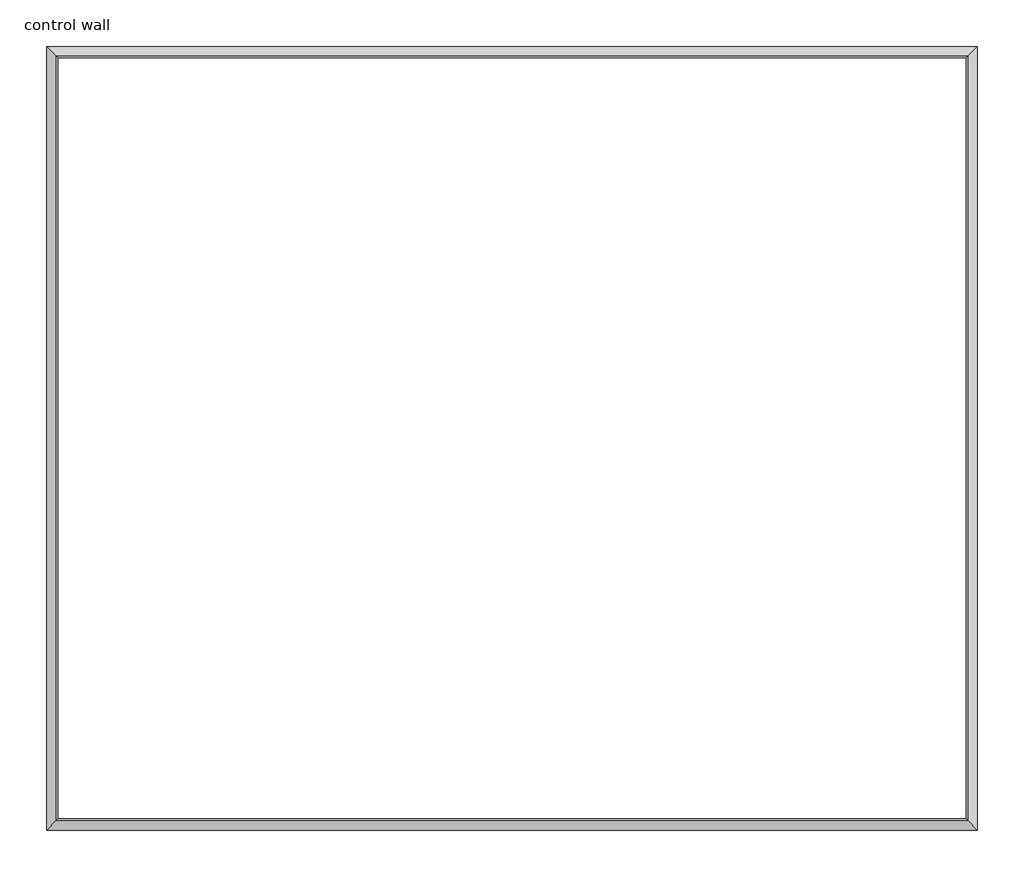
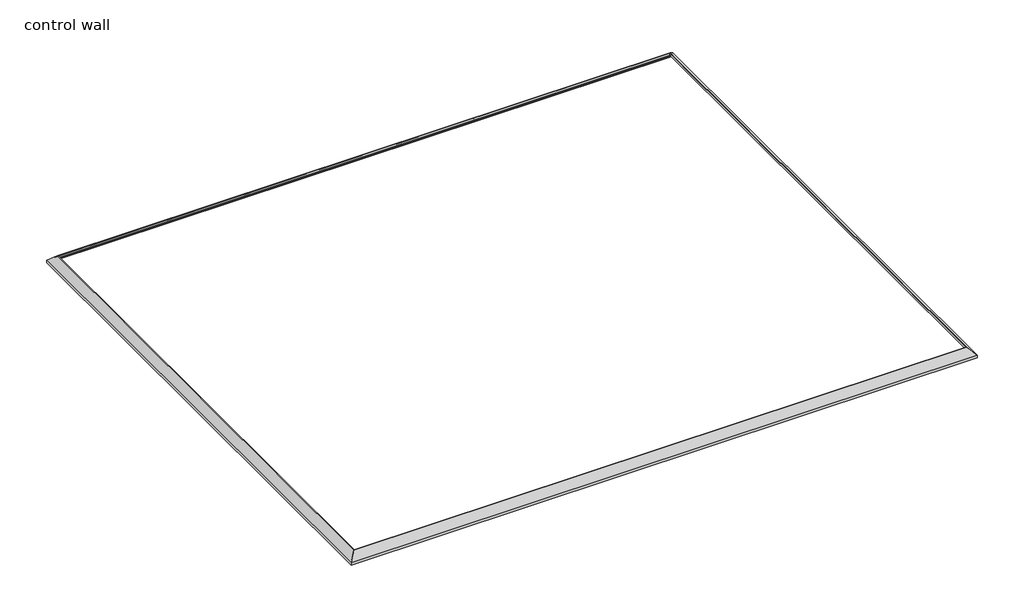
# One storey: 4 proxies.
"""IFC4 building model written with IfcOpenShell, lengths in millimetres."""

from ifc_helpers import new_model, si_unit, frame, origin, place, context, project, spatial, polyline, ellipse_curve, element, save
from ifc_brep_helpers import plane_surface, cylinder_surface, revolved_surface, advanced_brep

model = new_model("IFC4")

# Units and contexts
model_context = context("Model", 3, world=origin())
ifc_project = project(units=[si_unit("LENGTHUNIT", "METRE", prefix="MILLI")], contexts=[model_context])

# Site, building, storey
site = spatial("IfcSite", under=ifc_project)
building = spatial("IfcBuilding", under=site)
storey = spatial("IfcBuildingStorey", under=building, Name="control wall", Elevation=2133.6)

# Proxies
placement = place(None, origin())
element("IfcBuildingElementProxy", 1, Name="Wall Sweeps", at=placement, inside=storey, context=model_context, shape_type="AdvancedBrep", body=[
    advanced_brep(
    [(23490.7202433, -17435.1535127, 2982.9793892), (23425.6996325, -17370.1329019, 3048.0), (23417.5969345, -17362.0302039, 3048.0), (23417.5969345, -17362.0302039, 3028.95), (23427.2202433, -17371.6535127, 3028.95), (23447.7449232, -17392.1781925, 3008.4253202), (23468.269603, -17412.7028724, 2987.9006403), (23468.269603, -17412.7028724, 2981.5506403), (23481.7399872, -17426.1732566, 2968.0802561), (23481.7399872, -17426.1732566, 2959.1), (23490.7202433, -17435.1535127, 2959.1), (23490.7202433, -12301.3176741, 2982.9793892), (23490.7202433, -12301.3176741, 2959.1), (23481.7399872, -12310.2979302, 2959.1), (23481.7399872, -12310.2979302, 2968.0802561), (23468.269603, -12323.7683144, 2981.5506403), (23468.269603, -12323.7683144, 2987.9006403), (23447.7449232, -12344.2929943, 3008.4253202), (23427.2202433, -12364.8176741, 3028.95), (23417.5969345, -12374.4409829, 3028.95), (23417.5969345, -12374.4409829, 3048.0), (23425.6996325, -12366.3382849, 3048.0)],
    [
        (0, 1),
        (1, 2),
        (2, 3),
        (3, 4),
        (4, 5, ellipse_curve(frame((23427.2202433, -17371.6535127, 3008.4253202), z_axis=(0.707106781186544, 0.7071067811865511, 0.0), x_axis=(-0.7071067811865511, 0.7071067811865438, 0.0)), 29.0262806, 20.5246798)),
        (5, 6, ellipse_curve(frame((23468.269603, -17412.7028724, 3008.4253202), z_axis=(-0.707106781186544, -0.7071067811865511, 0.0), x_axis=(0.7071067811865511, -0.7071067811865438, 0.0)), 29.0262806, 20.5246798)),
        (6, 7),
        (7, 8, ellipse_curve(frame((23468.269603, -17412.7028724, 2968.0802561), z_axis=(0.707106781186544, 0.7071067811865511, 0.0), x_axis=(-0.7071067811865511, 0.7071067811865438, 0.0)), 19.05, 13.4703842)),
        (8, 9),
        (9, 10),
        (10, 0),
        (11, 12),
        (12, 13),
        (13, 14),
        (14, 15, ellipse_curve(frame((23468.269603, -12323.7683144, 2968.0802561), z_axis=(0.707106781186544, -0.7071067811865511, 0.0), x_axis=(0.7071067811865511, 0.7071067811865438, 0.0)), 19.05, 13.4703842)),
        (15, 16),
        (16, 17, ellipse_curve(frame((23468.269603, -12323.7683144, 3008.4253202), z_axis=(-0.707106781186544, 0.7071067811865511, 0.0), x_axis=(-0.7071067811865511, -0.7071067811865438, 0.0)), 29.0262806, 20.5246798)),
        (17, 18, ellipse_curve(frame((23427.2202433, -12364.8176741, 3008.4253202), z_axis=(0.707106781186544, -0.7071067811865511, 0.0), x_axis=(0.7071067811865511, 0.7071067811865438, 0.0)), 29.0262806, 20.5246798)),
        (18, 19),
        (19, 20),
        (20, 21),
        (21, 11),
        (1, 21),
        (20, 2),
        (10, 12),
        (11, 0),
        (19, 3),
        (18, 4),
        (17, 5),
        (16, 6),
        (15, 7),
        (14, 8),
        (13, 9),
    ],
    [
        plane_surface(frame((23490.7202433, -17435.1535127, 2654.3), z_axis=(-0.707106781186544, -0.7071067811865511, 0.0), x_axis=(-0.7071067811865511, 0.707106781186544, 0.0))),
        plane_surface(frame((23490.7202433, -12301.3176741, 2654.3), z_axis=(-0.707106781186544, 0.7071067811865511, 0.0), x_axis=(-0.7071067811865511, -0.707106781186544, 0.0))),
        plane_surface(frame((23425.6996325, -17370.1329019, 3048.0), z_axis=(0.0, 0.0, 1.0), x_axis=(0.0, 1.0, 0.0))),
        plane_surface(frame((23490.7202433, -17435.1535127, 2959.1), z_axis=(1.0, 0.0, 0.0), x_axis=(0.0, 1.0, 0.0))),
        plane_surface(frame((23490.7202433, -17435.1535127, 2982.9793892), z_axis=(0.707106781186547, 0.0, 0.707106781186548), x_axis=(0.0, 1.0, 0.0))),
        plane_surface(frame((23417.5969345, -17362.0302039, 3048.0), z_axis=(-1.0, 0.0, 0.0), x_axis=(0.0, 1.0, 0.0))),
        plane_surface(frame((23417.5969345, -17362.0302039, 3028.95), z_axis=(0.0, 0.0, -1.0), x_axis=(0.0, 1.0, 0.0))),
        revolved_surface(polyline([(23406.695563499998, -12344.292994255116, 3008.4253202), (23406.695563499998, -17392.17819254488, 3008.4253202)]), (23427.2202433, -17435.1535127, 3008.4253202), (0.0, 1.0, 0.0)),
        cylinder_surface(frame((23468.269603, -17435.1535127, 3008.4253202), z_axis=(0.0, -1.0, 0.0), x_axis=(-1.0, 0.0, 0.0)), 20.5246798),
        plane_surface(frame((23468.269603, -17412.7028724, 2987.9006403), z_axis=(-1.0, 0.0, 0.0), x_axis=(0.0, 1.0, 0.0))),
        revolved_surface(polyline([(23454.7992188, -12310.2979302, 2968.0802561), (23454.7992188, -17426.1732566, 2968.0802561)]), (23468.269603, -17435.1535127, 2968.0802561), (0.0, 1.0, 0.0)),
        plane_surface(frame((23481.7399872, -17426.1732566, 2968.0802561), z_axis=(-1.0, 0.0, 0.0), x_axis=(0.0, 1.0, 0.0))),
        plane_surface(frame((23481.7399872, -17426.1732566, 2959.1), z_axis=(0.0, 0.0, -1.0), x_axis=(0.0, 1.0, 0.0))),
    ],
    [
        (0, [[1, 2, 3, 4, 5, 6, 7, 8, 9, 10, 11]]),
        (1, [[12, 13, 14, 15, 16, 17, 18, 19, 20, 21, 22]]),
        (2, [[-2, 23, -21, 24]]),
        (3, [[-11, 25, -12, 26]]),
        (4, [[-1, -26, -22, -23]]),
        (5, [[-3, -24, -20, 27]]),
        (6, [[-4, -27, -19, 28]]),
        (7, [[-5, -28, -18, 29]]),
        (8, [[-6, -29, -17, 30]]),
        (9, [[-7, -30, -16, 31]]),
        (10, [[-8, -31, -15, 32]]),
        (11, [[-9, -32, -14, 33]]),
        (12, [[-10, -33, -13, -25]]),
    ],
),
])
element("IfcBuildingElementProxy", 2, Name="Wall Sweeps", at=placement, inside=storey, context=model_context, shape_type="AdvancedBrep", body=[
    advanced_brep(
    [(23490.7202433, -12301.3176741, 2982.9793892), (23425.6996325, -12366.3382849, 3048.0), (23417.5969345, -12374.4409829, 3048.0), (23417.5969345, -12374.4409829, 3028.95), (23427.2202433, -12364.8176741, 3028.95), (23447.7449232, -12344.2929943, 3008.4253202), (23468.269603, -12323.7683144, 2987.9006403), (23468.269603, -12323.7683144, 2981.5506403), (23481.7399872, -12310.2979302, 2968.0802561), (23481.7399872, -12310.2979302, 2959.1), (23490.7202433, -12301.3176741, 2959.1), (17394.7202433, -12301.3176741, 2982.9793892), (17394.7202433, -12301.3176741, 2959.1), (17403.7004995, -12310.2979302, 2959.1), (17403.7004995, -12310.2979302, 2968.0802561), (17417.1708836, -12323.7683144, 2981.5506403), (17417.1708836, -12323.7683144, 2987.9006403), (17437.6955635, -12344.2929943, 3008.4253202), (17458.2202433, -12364.8176741, 3028.95), (17467.8435521, -12374.4409829, 3028.95), (17467.8435521, -12374.4409829, 3048.0), (17459.7408542, -12366.3382849, 3048.0)],
    [
        (0, 1),
        (1, 2),
        (2, 3),
        (3, 4),
        (4, 5, ellipse_curve(frame((23427.2202433, -12364.8176741, 3008.4253202), z_axis=(-0.707106781186544, 0.7071067811865511, 0.0), x_axis=(-0.7071067811865509, -0.7071067811865441, 0.0)), 29.0262806, 20.5246798)),
        (5, 6, ellipse_curve(frame((23468.269603, -12323.7683144, 3008.4253202), z_axis=(0.707106781186544, -0.7071067811865511, 0.0), x_axis=(0.7071067811865509, 0.7071067811865441, 0.0)), 29.0262806, 20.5246798)),
        (6, 7),
        (7, 8, ellipse_curve(frame((23468.269603, -12323.7683144, 2968.0802561), z_axis=(-0.707106781186544, 0.7071067811865511, 0.0), x_axis=(-0.7071067811865509, -0.7071067811865441, 0.0)), 19.05, 13.4703842)),
        (8, 9),
        (9, 10),
        (10, 0),
        (11, 12),
        (12, 13),
        (13, 14),
        (14, 15, ellipse_curve(frame((17417.1708836, -12323.7683144, 2968.0802561), z_axis=(0.7071067811865476, 0.7071067811865476, 0.0), x_axis=(-0.7071067811865475, 0.7071067811865476, 0.0)), 19.05, 13.4703842)),
        (15, 16),
        (16, 17, ellipse_curve(frame((17417.1708836, -12323.7683144, 3008.4253202), z_axis=(-0.7071067811865476, -0.7071067811865476, 0.0), x_axis=(0.7071067811865475, -0.7071067811865476, 0.0)), 29.0262806, 20.5246798)),
        (17, 18, ellipse_curve(frame((17458.2202433, -12364.8176741, 3008.4253202), z_axis=(0.7071067811865476, 0.7071067811865476, 0.0), x_axis=(-0.7071067811865475, 0.7071067811865476, 0.0)), 29.0262806, 20.5246798)),
        (18, 19),
        (19, 20),
        (20, 21),
        (21, 11),
        (1, 21),
        (20, 2),
        (10, 12),
        (11, 0),
        (19, 3),
        (18, 4),
        (17, 5),
        (16, 6),
        (15, 7),
        (14, 8),
        (13, 9),
    ],
    [
        plane_surface(frame((23490.7202433, -12301.3176741, 2654.3), z_axis=(0.707106781186544, -0.7071067811865511, 0.0), x_axis=(-0.7071067811865511, -0.707106781186544, 0.0))),
        plane_surface(frame((17394.7202433, -12301.3176741, 2654.3), z_axis=(-0.7071067811865476, -0.7071067811865476, 0.0), x_axis=(0.7071067811865476, -0.7071067811865476, 0.0))),
        plane_surface(frame((23425.6996325, -12366.3382849, 3048.0), z_axis=(0.0, 0.0, 1.0), x_axis=(-1.0, 0.0, 0.0))),
        plane_surface(frame((23490.7202433, -12301.3176741, 2959.1), z_axis=(0.0, 1.0, 0.0), x_axis=(-1.0, 0.0, 0.0))),
        plane_surface(frame((23490.7202433, -12301.3176741, 2982.9793892), z_axis=(0.0, 0.707106781186547, 0.707106781186548), x_axis=(-1.0, 0.0, 0.0))),
        plane_surface(frame((23417.5969345, -12374.4409829, 3048.0), z_axis=(0.0, -1.0, 0.0), x_axis=(-1.0, 0.0, 0.0))),
        plane_surface(frame((23417.5969345, -12374.4409829, 3028.95), z_axis=(0.0, 0.0, -1.0), x_axis=(-1.0, 0.0, 0.0))),
        revolved_surface(polyline([(17437.695563455116, -12385.342353900001, 3008.4253202), (23447.7449232, -12385.342353900001, 3008.4253202)]), (23490.7202433, -12364.8176741, 3008.4253202), (-1.0, 0.0, 0.0)),
        cylinder_surface(frame((23490.7202433, -12323.7683144, 3008.4253202), z_axis=(1.0, 0.0, 0.0), x_axis=(0.0, -1.0, 0.0)), 20.5246798),
        plane_surface(frame((23468.269603, -12323.7683144, 2987.9006403), z_axis=(0.0, -1.0, 0.0), x_axis=(-1.0, 0.0, 0.0))),
        revolved_surface(polyline([(17403.700499418395, -12337.2386986, 2968.0802561), (23481.7399872, -12337.2386986, 2968.0802561)]), (23490.7202433, -12323.7683144, 2968.0802561), (-1.0, 0.0, 0.0)),
        plane_surface(frame((23481.7399872, -12310.2979302, 2968.0802561), z_axis=(0.0, -1.0, 0.0), x_axis=(-1.0, 0.0, 0.0))),
        plane_surface(frame((23481.7399872, -12310.2979302, 2959.1), z_axis=(0.0, 0.0, -1.0), x_axis=(-1.0, 0.0, 0.0))),
    ],
    [
        (0, [[1, 2, 3, 4, 5, 6, 7, 8, 9, 10, 11]]),
        (1, [[12, 13, 14, 15, 16, 17, 18, 19, 20, 21, 22]]),
        (2, [[-2, 23, -21, 24]]),
        (3, [[-11, 25, -12, 26]]),
        (4, [[-1, -26, -22, -23]]),
        (5, [[-3, -24, -20, 27]]),
        (6, [[-4, -27, -19, 28]]),
        (7, [[-5, -28, -18, 29]]),
        (8, [[-6, -29, -17, 30]]),
        (9, [[-7, -30, -16, 31]]),
        (10, [[-8, -31, -15, 32]]),
        (11, [[-9, -32, -14, 33]]),
        (12, [[-10, -33, -13, -25]]),
    ],
),
])
element("IfcBuildingElementProxy", 3, Name="Wall Sweeps", at=placement, inside=storey, context=model_context, shape_type="AdvancedBrep", body=[
    advanced_brep(
    [(17394.7202433, -12301.3176741, 2982.9793892), (17459.7408542, -12366.3382849, 3048.0), (17467.8435521, -12374.4409829, 3048.0), (17467.8435521, -12374.4409829, 3028.95), (17458.2202433, -12364.8176741, 3028.95), (17437.6955635, -12344.2929943, 3008.4253202), (17417.1708836, -12323.7683144, 2987.9006403), (17417.1708836, -12323.7683144, 2981.5506403), (17403.7004995, -12310.2979302, 2968.0802561), (17403.7004995, -12310.2979302, 2959.1), (17394.7202433, -12301.3176741, 2959.1), (17394.7202433, -17435.1535127, 2982.9793892), (17394.7202433, -17435.1535127, 2959.1), (17403.7004995, -17426.1732566, 2959.1), (17403.7004995, -17426.1732566, 2968.0802561), (17417.1708836, -17412.7028724, 2981.5506403), (17417.1708836, -17412.7028724, 2987.9006403), (17437.6955635, -17392.1781925, 3008.4253202), (17458.2202433, -17371.6535127, 3028.95), (17467.8435521, -17362.0302039, 3028.95), (17467.8435521, -17362.0302039, 3048.0), (17459.7408542, -17370.1329019, 3048.0)],
    [
        (0, 1),
        (1, 2),
        (2, 3),
        (3, 4),
        (4, 5, ellipse_curve(frame((17458.2202433, -12364.8176741, 3008.4253202), z_axis=(-0.7071067811865476, -0.7071067811865476, 0.0), x_axis=(0.7071067811865476, -0.7071067811865475, 0.0)), 29.0262806, 20.5246798)),
        (5, 6, ellipse_curve(frame((17417.1708836, -12323.7683144, 3008.4253202), z_axis=(0.7071067811865476, 0.7071067811865476, 0.0), x_axis=(-0.7071067811865476, 0.7071067811865475, 0.0)), 29.0262806, 20.5246798)),
        (6, 7),
        (7, 8, ellipse_curve(frame((17417.1708836, -12323.7683144, 2968.0802561), z_axis=(-0.7071067811865476, -0.7071067811865476, 0.0), x_axis=(0.7071067811865476, -0.7071067811865475, 0.0)), 19.05, 13.4703842)),
        (8, 9),
        (9, 10),
        (10, 0),
        (11, 12),
        (12, 13),
        (13, 14),
        (14, 15, ellipse_curve(frame((17417.1708836, -17412.7028724, 2968.0802561), z_axis=(-0.7071067811865476, 0.7071067811865476, 0.0), x_axis=(-0.7071067811865476, -0.7071067811865475, 0.0)), 19.05, 13.4703842)),
        (15, 16),
        (16, 17, ellipse_curve(frame((17417.1708836, -17412.7028724, 3008.4253202), z_axis=(0.7071067811865476, -0.7071067811865476, 0.0), x_axis=(0.7071067811865476, 0.7071067811865475, 0.0)), 29.0262806, 20.5246798)),
        (17, 18, ellipse_curve(frame((17458.2202433, -17371.6535127, 3008.4253202), z_axis=(-0.7071067811865476, 0.7071067811865476, 0.0), x_axis=(-0.7071067811865476, -0.7071067811865475, 0.0)), 29.0262806, 20.5246798)),
        (18, 19),
        (19, 20),
        (20, 21),
        (21, 11),
        (1, 21),
        (20, 2),
        (10, 12),
        (11, 0),
        (19, 3),
        (18, 4),
        (17, 5),
        (16, 6),
        (15, 7),
        (14, 8),
        (13, 9),
    ],
    [
        plane_surface(frame((17394.7202433, -12301.3176741, 2654.3), z_axis=(0.7071067811865476, 0.7071067811865476, 0.0), x_axis=(0.7071067811865476, -0.7071067811865476, 0.0))),
        plane_surface(frame((17394.7202433, -17435.1535127, 2654.3), z_axis=(0.7071067811865476, -0.7071067811865476, 0.0), x_axis=(0.7071067811865476, 0.7071067811865476, 0.0))),
        plane_surface(frame((17459.7408542, -12366.3382849, 3048.0), z_axis=(0.0, 0.0, 1.0), x_axis=(0.0, -1.0, 0.0))),
        plane_surface(frame((17394.7202433, -12301.3176741, 2959.1), z_axis=(-1.0, 0.0, 0.0), x_axis=(0.0, -1.0, 0.0))),
        plane_surface(frame((17394.7202433, -12301.3176741, 2982.9793892), z_axis=(-0.707106781186547, 0.0, 0.707106781186548), x_axis=(0.0, -1.0, 0.0))),
        plane_surface(frame((17467.8435521, -12374.4409829, 3048.0), z_axis=(1.0, 0.0, 0.0), x_axis=(0.0, -1.0, 0.0))),
        plane_surface(frame((17467.8435521, -12374.4409829, 3028.95), z_axis=(0.0, 0.0, -1.0), x_axis=(0.0, -1.0, 0.0))),
        revolved_surface(polyline([(17478.7449231, -17392.17819254488, 3008.4253202), (17478.7449231, -12344.292994255116, 3008.4253202)]), (17458.2202433, -12301.3176741, 3008.4253202), (0.0, -1.0, 0.0)),
        cylinder_surface(frame((17417.1708836, -12301.3176741, 3008.4253202), z_axis=(0.0, 1.0, 0.0), x_axis=(1.0, 0.0, 0.0)), 20.5246798),
        plane_surface(frame((17417.1708836, -12323.7683144, 2987.9006403), z_axis=(1.0, 0.0, 0.0), x_axis=(0.0, -1.0, 0.0))),
        revolved_surface(polyline([(17430.6412678, -17426.1732566, 2968.0802561), (17430.6412678, -12310.2979302, 2968.0802561)]), (17417.1708836, -12301.3176741, 2968.0802561), (0.0, -1.0, 0.0)),
        plane_surface(frame((17403.7004995, -12310.2979302, 2968.0802561), z_axis=(1.0, 0.0, 0.0), x_axis=(0.0, -1.0, 0.0))),
        plane_surface(frame((17403.7004995, -12310.2979302, 2959.1), z_axis=(0.0, 0.0, -1.0), x_axis=(0.0, -1.0, 0.0))),
    ],
    [
        (0, [[1, 2, 3, 4, 5, 6, 7, 8, 9, 10, 11]]),
        (1, [[12, 13, 14, 15, 16, 17, 18, 19, 20, 21, 22]]),
        (2, [[-2, 23, -21, 24]]),
        (3, [[-11, 25, -12, 26]]),
        (4, [[-1, -26, -22, -23]]),
        (5, [[-3, -24, -20, 27]]),
        (6, [[-4, -27, -19, 28]]),
        (7, [[-5, -28, -18, 29]]),
        (8, [[-6, -29, -17, 30]]),
        (9, [[-7, -30, -16, 31]]),
        (10, [[-8, -31, -15, 32]]),
        (11, [[-9, -32, -14, 33]]),
        (12, [[-10, -33, -13, -25]]),
    ],
),
])
element("IfcBuildingElementProxy", 4, Name="Wall Sweeps", at=placement, inside=storey, context=model_context, shape_type="AdvancedBrep", body=[
    advanced_brep(
    [(17394.7202433, -17435.1535127, 2982.9793892), (17459.7408542, -17370.1329019, 3048.0), (17467.8435521, -17362.0302039, 3048.0), (17467.8435521, -17362.0302039, 3028.95), (17458.2202433, -17371.6535127, 3028.95), (17437.6955635, -17392.1781925, 3008.4253202), (17417.1708836, -17412.7028724, 2987.9006403), (17417.1708836, -17412.7028724, 2981.5506403), (17403.7004995, -17426.1732566, 2968.0802561), (17403.7004995, -17426.1732566, 2959.1), (17394.7202433, -17435.1535127, 2959.1), (23490.7202433, -17435.1535127, 2982.9793892), (23490.7202433, -17435.1535127, 2959.1), (23481.7399872, -17426.1732566, 2959.1), (23481.7399872, -17426.1732566, 2968.0802561), (23468.269603, -17412.7028724, 2981.5506403), (23468.269603, -17412.7028724, 2987.9006403), (23447.7449232, -17392.1781925, 3008.4253202), (23427.2202433, -17371.6535127, 3028.95), (23417.5969345, -17362.0302039, 3028.95), (23417.5969345, -17362.0302039, 3048.0), (23425.6996325, -17370.1329019, 3048.0)],
    [
        (0, 1),
        (1, 2),
        (2, 3),
        (3, 4),
        (4, 5, ellipse_curve(frame((17458.2202433, -17371.6535127, 3008.4253202), z_axis=(0.7071067811865476, -0.7071067811865476, 0.0), x_axis=(0.7071067811865475, 0.7071067811865475, 0.0)), 29.0262806, 20.5246798)),
        (5, 6, ellipse_curve(frame((17417.1708836, -17412.7028724, 3008.4253202), z_axis=(-0.7071067811865476, 0.7071067811865476, 0.0), x_axis=(-0.7071067811865475, -0.7071067811865475, 0.0)), 29.0262806, 20.5246798)),
        (6, 7),
        (7, 8, ellipse_curve(frame((17417.1708836, -17412.7028724, 2968.0802561), z_axis=(0.7071067811865476, -0.7071067811865476, 0.0), x_axis=(0.7071067811865475, 0.7071067811865475, 0.0)), 19.05, 13.4703842)),
        (8, 9),
        (9, 10),
        (10, 0),
        (11, 12),
        (12, 13),
        (13, 14),
        (14, 15, ellipse_curve(frame((23468.269603, -17412.7028724, 2968.0802561), z_axis=(-0.707106781186544, -0.7071067811865511, 0.0), x_axis=(0.707106781186551, -0.7071067811865441, 0.0)), 19.05, 13.4703842)),
        (15, 16),
        (16, 17, ellipse_curve(frame((23468.269603, -17412.7028724, 3008.4253202), z_axis=(0.707106781186544, 0.7071067811865511, 0.0), x_axis=(-0.707106781186551, 0.7071067811865441, 0.0)), 29.0262806, 20.5246798)),
        (17, 18, ellipse_curve(frame((23427.2202433, -17371.6535127, 3008.4253202), z_axis=(-0.707106781186544, -0.7071067811865511, 0.0), x_axis=(0.707106781186551, -0.7071067811865441, 0.0)), 29.0262806, 20.5246798)),
        (18, 19),
        (19, 20),
        (20, 21),
        (21, 11),
        (1, 21),
        (20, 2),
        (10, 12),
        (11, 0),
        (19, 3),
        (18, 4),
        (17, 5),
        (16, 6),
        (15, 7),
        (14, 8),
        (13, 9),
    ],
    [
        plane_surface(frame((17394.7202433, -17435.1535127, 2654.3), z_axis=(-0.7071067811865476, 0.7071067811865476, 0.0), x_axis=(0.7071067811865476, 0.7071067811865476, 0.0))),
        plane_surface(frame((23490.7202433, -17435.1535127, 2654.3), z_axis=(0.707106781186544, 0.7071067811865511, 0.0), x_axis=(-0.7071067811865511, 0.707106781186544, 0.0))),
        plane_surface(frame((17459.7408542, -17370.1329019, 3048.0), z_axis=(0.0, 0.0, 1.0), x_axis=(1.0, 0.0, 0.0))),
        plane_surface(frame((17394.7202433, -17435.1535127, 2959.1), z_axis=(0.0, -1.0, 0.0), x_axis=(1.0, 0.0, 0.0))),
        plane_surface(frame((17394.7202433, -17435.1535127, 2982.9793892), z_axis=(0.0, -0.707106781186547, 0.707106781186548), x_axis=(1.0, 0.0, 0.0))),
        plane_surface(frame((17467.8435521, -17362.0302039, 3048.0), z_axis=(0.0, 1.0, 0.0), x_axis=(1.0, 0.0, 0.0))),
        plane_surface(frame((17467.8435521, -17362.0302039, 3028.95), z_axis=(0.0, 0.0, -1.0), x_axis=(1.0, 0.0, 0.0))),
        revolved_surface(polyline([(23447.7449232, -17351.128832899998, 3008.4253202), (17437.695563455116, -17351.128832899998, 3008.4253202)]), (17394.7202433, -17371.6535127, 3008.4253202), (1.0, 0.0, 0.0)),
        cylinder_surface(frame((17394.7202433, -17412.7028724, 3008.4253202), z_axis=(-1.0, 0.0, 0.0), x_axis=(0.0, 1.0, 0.0)), 20.5246798),
        plane_surface(frame((17417.1708836, -17412.7028724, 2987.9006403), z_axis=(0.0, 1.0, 0.0), x_axis=(1.0, 0.0, 0.0))),
        revolved_surface(polyline([(23481.7399872, -17399.2324882, 2968.0802561), (17403.700499418395, -17399.2324882, 2968.0802561)]), (17394.7202433, -17412.7028724, 2968.0802561), (1.0, 0.0, 0.0)),
        plane_surface(frame((17403.7004995, -17426.1732566, 2968.0802561), z_axis=(0.0, 1.0, 0.0), x_axis=(1.0, 0.0, 0.0))),
        plane_surface(frame((17403.7004995, -17426.1732566, 2959.1), z_axis=(0.0, 0.0, -1.0), x_axis=(1.0, 0.0, 0.0))),
    ],
    [
        (0, [[1, 2, 3, 4, 5, 6, 7, 8, 9, 10, 11]]),
        (1, [[12, 13, 14, 15, 16, 17, 18, 19, 20, 21, 22]]),
        (2, [[-2, 23, -21, 24]]),
        (3, [[-11, 25, -12, 26]]),
        (4, [[-1, -26, -22, -23]]),
        (5, [[-3, -24, -20, 27]]),
        (6, [[-4, -27, -19, 28]]),
        (7, [[-5, -28, -18, 29]]),
        (8, [[-6, -29, -17, 30]]),
        (9, [[-7, -30, -16, 31]]),
        (10, [[-8, -31, -15, 32]]),
        (11, [[-9, -32, -14, 33]]),
        (12, [[-10, -33, -13, -25]]),
    ],
),
])

save(model, "model.ifc")
